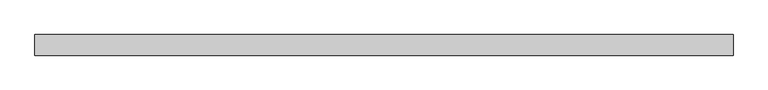
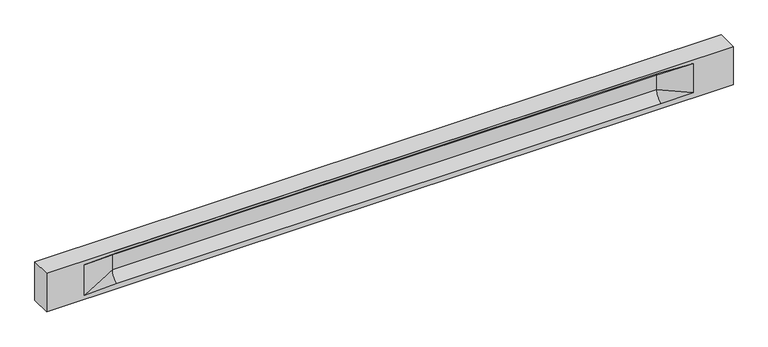
"""IFC4 building model written with IfcOpenShell, lengths in millimetres: beam geometry."""

from ifc_helpers import new_model, si_unit, frame, origin, place, context, project, spatial, polyline, circle_curve, source, transform, mapped, element, save
from ifc_brep_helpers import plane_surface, revolved_surface, spline_surface, advanced_brep


def beam_ec5b0613(model_context):
    return source(origin(), model_context, "Body", "AdvancedBrep", [
        advanced_brep(
        [(8446.5, -250.0, 500.0), (8446.5, -250.0, -500.0), (8446.5, 250.0, -500.0), (8446.5, 250.0, 500.0), (-8446.5, -250.0, 500.0), (-8446.5, -250.0, -500.0), (7471.5, -250.0, -362.0), (6671.5, -250.0, -360.0), (-6716.5, -250.0, -360.0), (-7516.5, -250.0, -400.0), (-7516.5, -250.0, 400.0), (-6716.5, -250.0, 435.0), (6671.5, -250.0, 435.0), (7471.5, -250.0, 400.0), (-8446.5, 250.0, -500.0), (-8446.5, 250.0, 500.0), (7471.5, 250.0, 400.0), (6671.5, 250.0, 435.0), (-6716.5, 250.0, 435.0), (-7516.5, 250.0, 400.0), (-7516.5, 250.0, -400.0), (-6716.5, 250.0, -360.0), (6671.5, 250.0, -360.0), (7471.5, 250.0, -362.0), (6671.5, 155.0, 405.0), (-6716.5, 155.0, 405.0), (6671.5, 60.0, 262.777021), (-6716.5, 60.0, 262.777021), (6671.5, 60.0, -120.0), (-6716.5, 60.0, -120.0), (6671.5, -60.0, -120.0), (-6716.5, -60.0, -120.0), (6671.5, -60.0, 262.777021), (-6716.5, -60.0, 262.777021), (6671.5, -155.0, 405.0), (-6716.5, -155.0, 405.0)],
        [
            (0, 1),
            (1, 2),
            (2, 3),
            (3, 0),
            (0, 4),
            (4, 5),
            (5, 1),
            (6, 7),
            (7, 8),
            (8, 9),
            (9, 10),
            (10, 11),
            (11, 12),
            (12, 13),
            (13, 6),
            (5, 14),
            (14, 2),
            (14, 15),
            (15, 3),
            (16, 17),
            (17, 18),
            (18, 19),
            (19, 20),
            (20, 21),
            (21, 22),
            (22, 23),
            (23, 16),
            (15, 4),
            (17, 24),
            (24, 25),
            (25, 18),
            (24, 26, circle_curve(frame((6671.5, 213.9598725, 262.777021), z_axis=(1.0, 0.0, 0.0), x_axis=(0.0, 1.0, 0.0)), 153.9598725)),
            (26, 27),
            (27, 25, circle_curve(frame((-6716.5, 213.9598725, 262.777021), z_axis=(-1.0, 0.0, 0.0), x_axis=(0.0, 1.0, 0.0)), 153.9598725)),
            (26, 28),
            (28, 29),
            (29, 27),
            (28, 22, circle_curve(frame((6671.5, 306.5789474, -120.0), z_axis=(1.0, 0.0, 0.0), x_axis=(0.0, 1.0, 0.0)), 246.5789474)),
            (21, 29, circle_curve(frame((-6716.5, 306.5789474, -120.0), z_axis=(-1.0, 0.0, 0.0), x_axis=(0.0, 1.0, 0.0)), 246.5789474)),
            (7, 30, circle_curve(frame((6671.5, -306.5789474, -120.0), z_axis=(1.0, 0.0, 0.0), x_axis=(0.0, 1.0, 0.0)), 246.5789474)),
            (30, 31),
            (31, 8, circle_curve(frame((-6716.5, -306.5789474, -120.0), z_axis=(-1.0, 0.0, 0.0), x_axis=(0.0, 1.0, 0.0)), 246.5789474)),
            (30, 32),
            (32, 33),
            (33, 31),
            (32, 34, circle_curve(frame((6671.5, -213.9598725, 262.777021), z_axis=(1.0, 0.0, 0.0), x_axis=(0.0, 1.0, 0.0)), 153.9598725)),
            (34, 35),
            (35, 33, circle_curve(frame((-6716.5, -213.9598725, 262.777021), z_axis=(-1.0, 0.0, 0.0), x_axis=(0.0, 1.0, 0.0)), 153.9598725)),
            (34, 12),
            (11, 35),
            (27, 19),
            (19, 25),
            (10, 35),
            (10, 33),
            (9, 31),
            (20, 29),
            (34, 13),
            (32, 13),
            (30, 6),
            (28, 23),
            (26, 16),
            (24, 16),
        ],
        [
            plane_surface(frame((8446.5, 0.0, 0.0), z_axis=(1.0, 0.0, 0.0), x_axis=(0.0, 0.0, 1.0))),
            plane_surface(frame((8446.5, -250.0, 500.0), z_axis=(0.0, -1.0, 0.0), x_axis=(-1.0, 0.0, 0.0))),
            plane_surface(frame((8446.5, -250.0, -500.0), z_axis=(0.0, 0.0, -1.0), x_axis=(-1.0, 0.0, 0.0))),
            plane_surface(frame((8446.5, 250.0, -500.0), z_axis=(0.0, 1.0, 0.0), x_axis=(-1.0, 0.0, 0.0))),
            plane_surface(frame((8446.5, 250.0, 500.0), z_axis=(0.0, 0.0, 1.0), x_axis=(-1.0, 0.0, 0.0))),
            plane_surface(frame((-6716.5, 250.0, 435.0), z_axis=(0.0, 0.30113136793710954, -0.9535826651341378), x_axis=(1.0, 0.0, 0.0))),
            revolved_surface(polyline([(6671.5, 367.919745, 262.777021), (-6716.5, 367.919745, 262.777021)]), (-6716.5, 213.9598725, 262.777021), (1.0, 0.0, 0.0)),
            plane_surface(frame((-6716.5, 60.0, 262.777021), z_axis=(0.0, 1.0, 0.0), x_axis=(1.0, 0.0, 0.0))),
            revolved_surface(polyline([(6671.5, 553.1578948, -120.0), (-6716.5, 553.1578948, -120.0)]), (-6716.5, 306.5789474, -120.0), (1.0, 0.0, 0.0)),
            revolved_surface(polyline([(6671.5, -60.0, -120.0), (-6716.5, -60.0, -120.0)]), (-6716.5, -306.5789474, -120.0), (1.0, 0.0, 0.0)),
            plane_surface(frame((-6716.5, -60.0, -120.0), z_axis=(0.0, -1.0, 0.0), x_axis=(1.0, 0.0, 0.0))),
            revolved_surface(polyline([(6671.5, -60.0, 262.777021), (-6716.5, -60.0, 262.777021)]), (-6716.5, -213.9598725, 262.777021), (1.0, 0.0, 0.0)),
            plane_surface(frame((-6716.5, -155.0, 405.0), z_axis=(0.0, -0.30113136793710693, -0.9535826651341387), x_axis=(1.0, 0.0, 0.0))),
            spline_surface(2, 1, [[(-7516.5, 250.0, 400.0), (-6716.5, 60.0, 262.777021)], [(-7516.5, 250.0, 400.0), (-6716.5, 59.99999995452379, 365.6168572954922)], [(-7516.5, 250.0, 400.0), (-6716.5, 155.0, 405.0)]], [3, 3], [2, 2], [0.0, 1.0], [0.0, 1.0], weights=[[1.0, 1.0], [0.8315515921160737, 0.8315515921160737], [1.0, 1.0]]),
            plane_surface(frame((-7516.5, 250.0, 400.0), z_axis=(0.04168298285568771, 0.30086965068766386, -0.9527538938442265), x_axis=(0.0, 0.9535826651341378, 0.30113136793710954))),
            plane_surface(frame((-7516.5, -250.0, 400.0), z_axis=(0.041682982855687736, -0.30086965068766125, -0.9527538938442274), x_axis=(0.0, 0.9535826651341387, -0.30113136793710693))),
            spline_surface(2, 1, [[(-7516.5, -250.0, 400.0), (-6716.5, -155.0, 405.0)], [(-7516.5, -250.0, 400.0), (-6716.5, -60.00000008030692, 365.6168572114734)], [(-7516.5, -250.0, 400.0), (-6716.5, -60.0, 262.777021)]], [3, 3], [2, 2], [0.0, 1.0], [0.0, 1.0], weights=[[1.0, 1.0], [0.8315515924557569, 0.8315515924557569], [1.0, 1.0]]),
            plane_surface(frame((-7516.5, -250.0, 0.0), z_axis=(0.23107243079589934, -0.9729365507195596, 0.0), x_axis=(0.0, 0.0, -1.0))),
            spline_surface(2, 1, [[(-7516.5, -250.0, -400.0), (-6716.5, -60.0, -120.0)], [(-7516.5, -250.0, -400.0), (-6716.5, -59.99999998020837, -315.20833333333337)], [(-7516.5, -250.0, -400.0), (-6716.5, -250.0, -360.0)]], [3, 3], [2, 2], [0.0, 1.0], [0.0, 1.0], weights=[[1.0, 1.0], [0.7840458244617614, 0.7840458244617614], [1.0, 1.0]]),
            spline_surface(2, 1, [[(-7516.5, 250.0, -400.0), (-6716.5, 250.0, -360.0)], [(-7516.5, 250.0, -400.0), (-6716.5, 60.00000002887427, -315.20833329480604)], [(-7516.5, 250.0, -400.0), (-6716.5, 60.0, -120.0)]], [3, 3], [2, 2], [0.0, 1.0], [0.0, 1.0], weights=[[1.0, 1.0], [0.7840458245391329, 0.7840458245391329], [1.0, 1.0]]),
            plane_surface(frame((-7516.5, 250.0, 0.0), z_axis=(0.23107243079589507, 0.9729365507195608, 0.0), x_axis=(0.0, 0.0, 1.0))),
            plane_surface(frame((-8446.5, 0.0, 0.0), z_axis=(-1.0, 0.0, 0.0), x_axis=(0.0, 0.0, 1.0))),
            plane_surface(frame((6671.5, -202.5, 420.0), z_axis=(-0.04168298285568757, -0.30086965068766125, -0.9527538938442274), x_axis=(0.0, 0.9535826651341387, -0.30113136793710693))),
            spline_surface(2, 1, [[(6671.5, -155.0, 405.0), (7471.5, -250.0, 400.0)], [(6671.5, -60.00000008030692, 365.6168572114734), (7471.5, -250.0, 400.0)], [(6671.5, -60.0, 262.777021), (7471.5, -250.0, 400.0)]], [3, 3], [2, 2], [0.0, 1.0], [0.0, 1.0], weights=[[1.0, 1.0], [0.8315515924557569, 0.8315515924557569], [1.0, 1.0]]),
            plane_surface(frame((6671.5, -60.0, 71.3885105), z_axis=(-0.23107243079589793, -0.9729365507195601, 0.0), x_axis=(0.0, 0.0, -1.0))),
            spline_surface(2, 1, [[(6671.5, -60.0, -120.0), (7471.5, -250.0, -362.0)], [(6671.5, -59.99999998020837, -315.20833333333337), (7471.5, -250.0, -362.0)], [(6671.5, -250.0, -360.0), (7471.5, -250.0, -362.0)]], [3, 3], [2, 2], [0.0, 1.0], [0.0, 1.0], weights=[[1.0, 1.0], [0.7840458244617614, 0.7840458244617614], [1.0, 1.0]]),
            spline_surface(2, 1, [[(6671.5, 250.0, -360.0), (7471.5, 250.0, -362.0)], [(6671.5, 60.00000002887427, -315.20833329480604), (7471.5, 250.0, -362.0)], [(6671.5, 60.0, -120.0), (7471.5, 250.0, -362.0)]], [3, 3], [2, 2], [0.0, 1.0], [0.0, 1.0], weights=[[1.0, 1.0], [0.7840458245391329, 0.7840458245391329], [1.0, 1.0]]),
            plane_surface(frame((6671.5, 60.0, 71.3885105), z_axis=(-0.2310724307958915, 0.9729365507195615, 0.0), x_axis=(0.0, 0.0, 1.0))),
            spline_surface(2, 1, [[(6671.5, 60.0, 262.777021), (7471.5, 250.0, 400.0)], [(6671.5, 59.99999995452379, 365.6168572954922), (7471.5, 250.0, 400.0)], [(6671.5, 155.0, 405.0), (7471.5, 250.0, 400.0)]], [3, 3], [2, 2], [0.0, 1.0], [0.0, 1.0], weights=[[1.0, 1.0], [0.8315515921160737, 0.8315515921160737], [1.0, 1.0]]),
            plane_surface(frame((6671.5, 202.5, 420.0), z_axis=(-0.041682982855686834, 0.30086965068766386, -0.9527538938442265), x_axis=(0.0, 0.9535826651341378, 0.30113136793710954))),
        ],
        [
            (0, [[1, 2, 3, 4]]),
            (1, [[-1, 5, 6, 7], [8, 9, 10, 11, 12, 13, 14, 15]]),
            (2, [[-2, -7, 16, 17]]),
            (3, [[-3, -17, 18, 19], [20, 21, 22, 23, 24, 25, 26, 27]]),
            (4, [[-5, -4, -19, 28]]),
            (5, [[-21, 29, 30, 31]]),
            (6, [[-30, 32, 33, 34]]),
            (7, [[-33, 35, 36, 37]]),
            (8, [[-36, 38, -25, 39]]),
            (9, [[-9, 40, 41, 42]]),
            (10, [[-41, 43, 44, 45]]),
            (11, [[-44, 46, 47, 48]]),
            (12, [[-47, 49, -13, 50]]),
            (13, [[51, 52, -34]]),
            (14, [[-52, -22, -31]]),
            (15, [[-12, 53, -50]]),
            (16, [[-53, 54, -48]]),
            (17, [[-54, -11, 55, -45]]),
            (18, [[-55, -10, -42]]),
            (19, [[-24, 56, -39]]),
            (20, [[-51, -37, -56, -23]]),
            (21, [[-28, -18, -16, -6]]),
            (22, [[-14, -49, 57]]),
            (23, [[-57, -46, 58]]),
            (24, [[-58, -43, 59, -15]]),
            (25, [[-59, -40, -8]]),
            (26, [[-26, -38, 60]]),
            (27, [[-60, -35, 61, -27]]),
            (28, [[-61, -32, 62]]),
            (29, [[-62, -29, -20]]),
        ],
    ),
    ])


if __name__ == "__main__":
    model = new_model("IFC4")
    model_context = context("Model", 3, world=origin())
    ifc_project = project(units=[si_unit("LENGTHUNIT", "METRE", prefix="MILLI")], contexts=[model_context])
    site = spatial("IfcSite", under=ifc_project)
    building = spatial("IfcBuilding", under=site)
    placement = place(None, origin())
    beam_shape = beam_ec5b0613(model_context)
    element("IfcBeam", 1, at=placement, inside=building, context=model_context, shape_type="MappedRepresentation", body=[
        mapped(beam_shape, transform((0.0, 0.0, 0.0), x_axis=(1.0, 0.0, 0.0), y_axis=(0.0, 1.0, 0.0), z_axis=(0.0, 0.0, 1.0))),
    ])
    save(model, "model.ifc")
